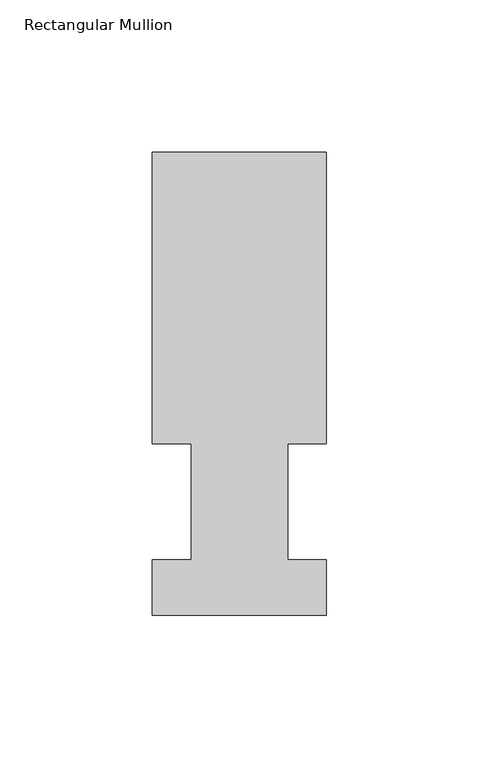
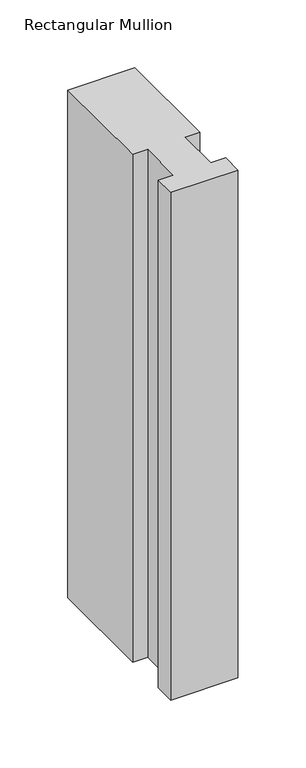
"""IFC4 building model written with IfcOpenShell, lengths in millimetres: member geometry, Rectangular Mullion."""

from ifc_helpers import new_model, si_unit, frame, origin, place, context, project, spatial, polyline, outline, extrude, source, transform, mapped, element, save


def rectangular_mullion_237078a2(model_context):
    return source(origin(), model_context, "Body", "SweptSolid", [
        extrude(outline(polyline([(-57.15, 151.98725), (0.0, 151.98725), (0.0, 56.35625), (-12.7, 56.35625), (-12.7, 18.25625), (0.0, 18.25625), (0.0, -0.03175), (-57.15, -0.03175), (-57.15, 18.25625), (-44.45, 18.25625), (-44.45, 56.35625), (-57.15, 56.35625), (-57.15, 151.98725)])), frame((0.0, 0.0, -457.1999999), z_axis=(0.0, 0.0, 1.0), x_axis=(1.0, 0.0, 0.0)), (0.0, 0.0, 1.0), 457.1999999),
    ])


if __name__ == "__main__":
    model = new_model("IFC4")
    model_context = context("Model", 3, world=origin())
    ifc_project = project(units=[si_unit("LENGTHUNIT", "METRE", prefix="MILLI")], contexts=[model_context])
    site = spatial("IfcSite", under=ifc_project)
    building = spatial("IfcBuilding", under=site)
    placement = place(None, origin())
    rectangular_mullion_shape = rectangular_mullion_237078a2(model_context)
    element("IfcMember", 1, ObjectType="Rectangular Mullion", at=placement, inside=building, context=model_context, shape_type="MappedRepresentation", body=[
        mapped(rectangular_mullion_shape, transform((0.0, 0.0, 0.0), x_axis=(1.0, 0.0, 0.0), y_axis=(0.0, 1.0, 0.0), z_axis=(0.0, 0.0, 1.0))),
    ])
    save(model, "model.ifc")
